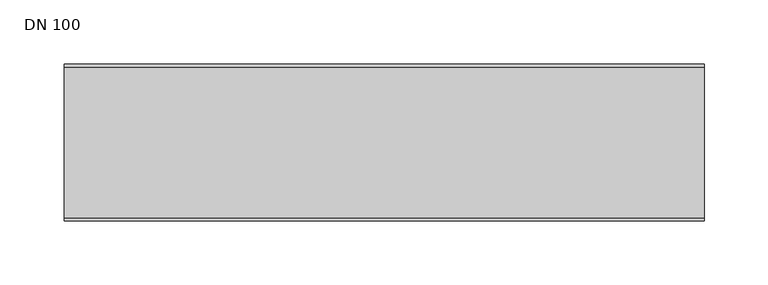
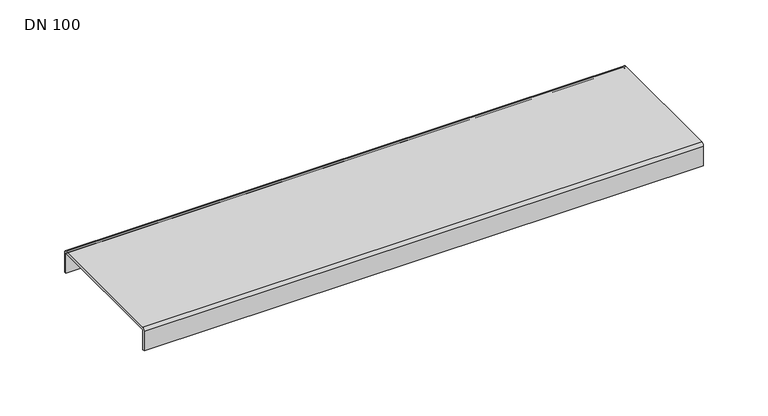
"""IFC4 building model written with IfcOpenShell, lengths in millimetres: sanitary terminal geometry, DN 100."""

from ifc_helpers import new_model, si_unit, point, frame, frame_2d, origin, place, context, project, spatial, polyline, circle_curve, trimmed, segment, composite_curve, outline, extrude, source, transform, mapped, element, save


def dn_100_5776a039(model_context):
    return source(origin(), model_context, "Body", "SweptSolid", [
        extrude(outline(composite_curve([segment(polyline([(61.5, -21.0), (59.5, -21.0), (59.5, -2.5)]), True, "CONTINUOUS"), segment(trimmed(circle_curve(frame_2d((59.0, -2.5)), 0.5), [point((59.5, -2.5))], [point((59.0, -2.0))], True, "CARTESIAN"), True, "CONTINUOUS"), segment(polyline([(59.0, -2.0), (-59.0, -2.0)]), True, "CONTINUOUS"), segment(trimmed(circle_curve(frame_2d((-59.0, -2.5)), 0.5), [point((-59.0, -2.0))], [point((-59.5, -2.5))], True, "CARTESIAN"), True, "CONTINUOUS"), segment(polyline([(-59.5, -2.5), (-59.5, -21.0), (-61.5, -21.0), (-61.5, -2.5)]), True, "CONTINUOUS"), segment(trimmed(circle_curve(frame_2d((-59.0, -2.5)), 2.5), [point((-61.5, -2.5))], [point((-59.0, 0.0))], False, "CARTESIAN"), True, "CONTINUOUS"), segment(polyline([(-59.0, 0.0), (59.0, 0.0)]), True, "CONTINUOUS"), segment(trimmed(circle_curve(frame_2d((59.0, -2.5)), 2.5), [point((59.0, 0.0))], [point((61.5, -2.5))], False, "CARTESIAN"), True, "CONTINUOUS"), segment(polyline([(61.5, -2.5), (61.5, -21.0)]), True, "CONTINUOUS")], self_intersect=False)), frame((0.0, 0.0, 0.0), z_axis=(1.0, 0.0, 0.0), x_axis=(0.0, 1.0, 0.0)), (0.0, 0.0, 1.0), 500.0),
    ])


if __name__ == "__main__":
    model = new_model("IFC4")
    model_context = context("Model", 3, world=origin())
    ifc_project = project(units=[si_unit("LENGTHUNIT", "METRE", prefix="MILLI")], contexts=[model_context])
    site = spatial("IfcSite", under=ifc_project)
    building = spatial("IfcBuilding", under=site)
    placement = place(None, origin())
    dn_100_shape = dn_100_5776a039(model_context)
    element("IfcSanitaryTerminal", 1, ObjectType="DN 100", at=placement, inside=building, context=model_context, shape_type="MappedRepresentation", body=[
        mapped(dn_100_shape, transform((0.0, 0.0, 0.0), x_axis=(1.0, 0.0, 0.0), y_axis=(0.0, 1.0, 0.0), z_axis=(0.0, 0.0, 1.0))),
    ])
    save(model, "model.ifc")
